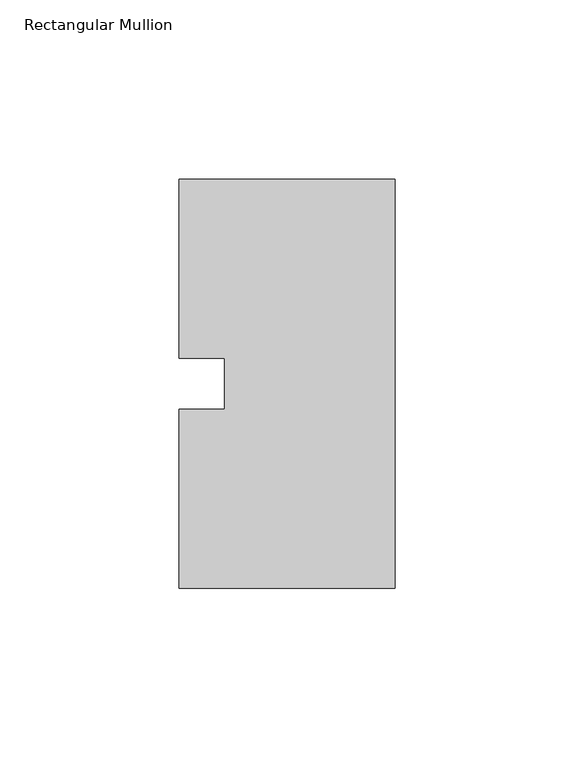
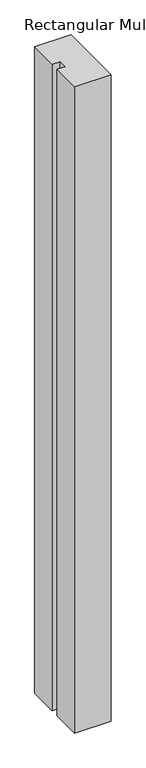
"""IFC4 building model written with IfcOpenShell, lengths in millimetres: member geometry, Rectangular Mullion."""

from ifc_helpers import new_model, si_unit, frame, origin, place, context, project, spatial, polyline, outline, extrude, source, transform, mapped, element, save


def rectangular_mullion_2b9cb15e(model_context):
    return source(origin(), model_context, "Body", "SweptSolid", [
        extrude(outline(polyline([(-60.325, 57.15), (0.0, 57.15), (0.0, -57.15), (-60.325, -57.15), (-60.325, -7.14375), (-47.6232296, -7.14375), (-47.6232296, 7.14375), (-60.325, 7.14375), (-60.325, 57.15)])), frame((0.0, 0.0, -1130.3), z_axis=(0.0, 0.0, 1.0), x_axis=(1.0, 0.0, 0.0)), (0.0, 0.0, 1.0), 1130.3),
    ])


if __name__ == "__main__":
    model = new_model("IFC4")
    model_context = context("Model", 3, world=origin())
    ifc_project = project(units=[si_unit("LENGTHUNIT", "METRE", prefix="MILLI")], contexts=[model_context])
    site = spatial("IfcSite", under=ifc_project)
    building = spatial("IfcBuilding", under=site)
    placement = place(None, origin())
    rectangular_mullion_shape = rectangular_mullion_2b9cb15e(model_context)
    element("IfcMember", 1, ObjectType="Rectangular Mullion", at=placement, inside=building, context=model_context, shape_type="MappedRepresentation", body=[
        mapped(rectangular_mullion_shape, transform((0.0, 0.0, 0.0), x_axis=(1.0, 0.0, 0.0), y_axis=(0.0, 1.0, 0.0), z_axis=(0.0, 0.0, 1.0))),
    ])
    save(model, "model.ifc")
